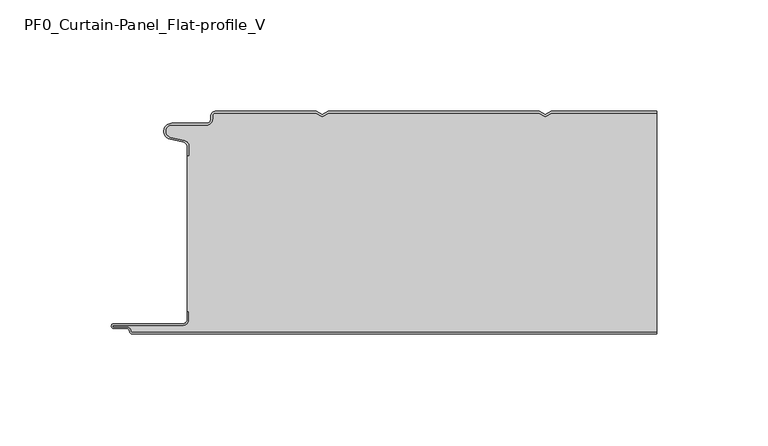
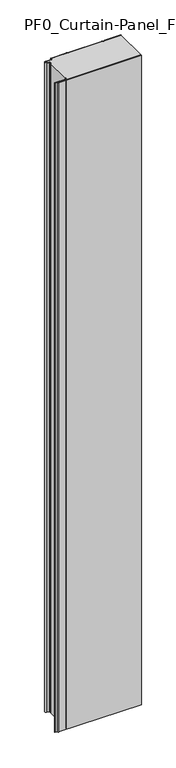
"""IFC4 building model written with IfcOpenShell, lengths in millimetres: plate geometry, PF0_Curtain-Panel_Flat-profile_V."""

from ifc_helpers import new_model, si_unit, point, frame_2d, origin, origin_with_axes, place, context, project, spatial, polyline, circle_curve, trimmed, segment, composite_curve, outline, extrude, source, transform, mapped, element, save


def pf0_curtain_panel_flat_profile_v_4a0679f0(model_context):
    return source(origin(), model_context, "Body", "SweptSolid", [
        extrude(outline(composite_curve([segment(trimmed(circle_curve(frame_2d((-102.0119739, -15.878557)), 2.0), [point((-100.0119739, -15.878557))], [point((-101.5620718, -13.9298169))], True, "CARTESIAN"), True, "CONTINUOUS"), segment(polyline([(-101.5620718, -13.9298169), (-107.7217978, -12.507732)]), True, "CONTINUOUS"), segment(trimmed(circle_curve(frame_2d((-106.9119739, -9.0)), 3.6), [point((-107.7217978, -12.507732))], [point((-106.9119739, -5.4))], False, "CARTESIAN"), True, "CONTINUOUS"), segment(polyline([(-106.9119739, -5.4), (-91.4119739, -5.4)]), True, "CONTINUOUS"), segment(trimmed(circle_curve(frame_2d((-91.4119739, -3.4)), 2.0), [point((-91.4119739, -5.4))], [point((-89.4119739, -3.4))], True, "CARTESIAN"), True, "CONTINUOUS"), segment(polyline([(-89.4119739, -3.4), (-89.4119739, -2.0)]), True, "CONTINUOUS"), segment(trimmed(circle_curve(frame_2d((-87.4119739, -2.0)), 2.0), [point((-89.4119739, -2.0))], [point((-87.4119739, 0.0))], False, "CARTESIAN"), True, "CONTINUOUS"), segment(polyline([(-87.4119739, 0.0), (-42.1119734, 0.0), (-39.4119739, -1.5588455), (-36.7119745, 0.0), (57.8880266, 0.0), (60.5880261, -1.5588455), (63.2880255, 0.0), (110.6119739, 0.0), (110.6119739, -0.8), (63.5023849, -0.8), (60.5880261, -2.482606), (57.6736672, -0.8), (-36.4976151, -0.8), (-39.4119739, -2.482606), (-42.3263328, -0.8), (-87.4119739, -0.8)]), True, "CONTINUOUS"), segment(trimmed(circle_curve(frame_2d((-87.4119739, -2.0)), 1.2), [point((-87.4119739, -0.8))], [point((-88.6119739, -2.0))], True, "CARTESIAN"), True, "CONTINUOUS"), segment(polyline([(-88.6119739, -2.0), (-88.6119739, -3.4)]), True, "CONTINUOUS"), segment(trimmed(circle_curve(frame_2d((-91.4119739, -3.4)), 2.8), [point((-88.6119739, -3.4))], [point((-91.4119739, -6.2))], False, "CARTESIAN"), True, "CONTINUOUS"), segment(polyline([(-91.4119739, -6.2), (-106.9119739, -6.2)]), True, "CONTINUOUS"), segment(trimmed(circle_curve(frame_2d((-106.9119739, -9.0)), 2.8), [point((-106.9119739, -6.2))], [point((-107.541837, -11.7282362))], True, "CARTESIAN"), True, "CONTINUOUS"), segment(polyline([(-107.541837, -11.7282362), (-101.3821109, -13.150321)]), True, "CONTINUOUS"), segment(trimmed(circle_curve(frame_2d((-102.0119739, -15.878557)), 2.8), [point((-101.3821109, -13.150321))], [point((-99.2119739, -15.878557))], False, "CARTESIAN"), True, "CONTINUOUS"), segment(polyline([(-99.2119739, -15.878557), (-99.2119739, -20.0), (-100.0119739, -20.0), (-100.0119739, -15.878557)]), True, "CONTINUOUS")], self_intersect=False)), origin_with_axes(), (0.0, 0.0, 1.0), 1945.7507136),
        extrude(outline(composite_curve([segment(polyline([(-99.2119739, -90.0), (-100.0119739, -90.0), (-100.0119739, -20.0), (-99.2119739, -20.0), (-99.2119739, -15.878557)]), True, "CONTINUOUS"), segment(trimmed(circle_curve(frame_2d((-102.0119739, -15.878557)), 2.8), [point((-99.2119739, -15.878557))], [point((-101.3821109, -13.1503208))], True, "CARTESIAN"), True, "CONTINUOUS"), segment(polyline([(-101.3821109, -13.1503208), (-107.5418369, -11.7282362)]), True, "CONTINUOUS"), segment(trimmed(circle_curve(frame_2d((-106.9119739, -9.0)), 2.8), [point((-107.5418369, -11.7282362))], [point((-106.9119739, -6.2))], False, "CARTESIAN"), True, "CONTINUOUS"), segment(polyline([(-106.9119739, -6.2), (-91.4119739, -6.2)]), True, "CONTINUOUS"), segment(trimmed(circle_curve(frame_2d((-91.4119739, -3.4)), 2.8), [point((-91.4119739, -6.2))], [point((-88.6119739, -3.4))], True, "CARTESIAN"), True, "CONTINUOUS"), segment(polyline([(-88.6119739, -3.4), (-88.6119739, -2.0)]), True, "CONTINUOUS"), segment(trimmed(circle_curve(frame_2d((-87.4119739, -2.0)), 1.2), [point((-88.6119739, -2.0))], [point((-87.4119739, -0.8))], False, "CARTESIAN"), True, "CONTINUOUS"), segment(polyline([(-87.4119739, -0.8), (-42.3263328, -0.8), (-39.4119739, -2.482606), (-36.4976151, -0.8), (57.6736672, -0.8), (60.5880261, -2.482606), (63.5023849, -0.8), (110.6119739, -0.8), (110.6119739, -99.2), (-124.4119739, -99.2)]), True, "CONTINUOUS"), segment(trimmed(circle_curve(frame_2d((-124.4119739, -98.4)), 0.8), [point((-124.4119739, -99.2))], [point((-125.2119739, -98.4))], False, "CARTESIAN"), True, "CONTINUOUS"), segment(trimmed(circle_curve(frame_2d((-126.9119739, -98.6133333)), 1.7133333), [point((-125.2119739, -98.4))], [point((-126.9119739, -96.9))], True, "CARTESIAN"), True, "CONTINUOUS"), segment(polyline([(-126.9119739, -96.9), (-132.8820051, -96.9)]), True, "CONTINUOUS"), segment(trimmed(circle_curve(frame_2d((-132.8820051, -96.6)), 0.3), [point((-132.8820051, -96.9))], [point((-132.8820051, -96.3))], False, "CARTESIAN"), True, "CONTINUOUS"), segment(polyline([(-132.8820051, -96.3), (-102.0119739, -96.3)]), True, "CONTINUOUS"), segment(trimmed(circle_curve(frame_2d((-102.0119739, -93.5)), 2.8), [point((-102.0119739, -96.3))], [point((-99.2119739, -93.5))], True, "CARTESIAN"), True, "CONTINUOUS"), segment(polyline([(-99.2119739, -93.5), (-99.2119739, -90.0)]), True, "CONTINUOUS")], self_intersect=False)), origin_with_axes(), (0.0, 0.0, 1.0), 1945.7507136),
        extrude(outline(composite_curve([segment(polyline([(-100.0119739, -90.0), (-99.2119739, -90.0), (-99.2119739, -93.5)]), True, "CONTINUOUS"), segment(trimmed(circle_curve(frame_2d((-102.0119739, -93.5)), 2.8), [point((-99.2119739, -93.5))], [point((-102.0119739, -96.3))], False, "CARTESIAN"), True, "CONTINUOUS"), segment(polyline([(-102.0119739, -96.3), (-132.8820051, -96.3)]), True, "CONTINUOUS"), segment(trimmed(circle_curve(frame_2d((-132.8820051, -96.6)), 0.3), [point((-132.8820051, -96.3))], [point((-132.8820051, -96.9))], True, "CARTESIAN"), True, "CONTINUOUS"), segment(polyline([(-132.8820051, -96.9), (-126.9119739, -96.9)]), True, "CONTINUOUS"), segment(trimmed(circle_curve(frame_2d((-126.9119739, -98.6133333)), 1.7133333), [point((-126.9119739, -96.9))], [point((-125.2119739, -98.4))], False, "CARTESIAN"), True, "CONTINUOUS"), segment(trimmed(circle_curve(frame_2d((-124.4119739, -98.4)), 0.8), [point((-125.2119739, -98.4))], [point((-124.4119739, -99.2))], True, "CARTESIAN"), True, "CONTINUOUS"), segment(polyline([(-124.4119739, -99.2), (110.6119739, -99.2), (110.6119739, -100.0), (-124.4119739, -100.0)]), True, "CONTINUOUS"), segment(trimmed(circle_curve(frame_2d((-124.4119739, -98.4)), 1.6), [point((-124.4119739, -100.0))], [point((-126.0119739, -98.4))], False, "CARTESIAN"), True, "CONTINUOUS"), segment(trimmed(circle_curve(frame_2d((-126.9119739, -98.4)), 0.9), [point((-126.0119739, -98.4))], [point((-126.9119739, -97.5))], True, "CARTESIAN"), True, "CONTINUOUS"), segment(polyline([(-126.9119739, -97.5), (-133.0119739, -97.5)]), True, "CONTINUOUS"), segment(trimmed(circle_curve(frame_2d((-133.0119739, -96.5)), 1.0), [point((-133.0119739, -97.5))], [point((-133.0119739, -95.5))], False, "CARTESIAN"), True, "CONTINUOUS"), segment(polyline([(-133.0119739, -95.5), (-102.0119739, -95.5)]), True, "CONTINUOUS"), segment(trimmed(circle_curve(frame_2d((-102.0119739, -93.5)), 2.0), [point((-102.0119739, -95.5))], [point((-100.0119739, -93.5))], True, "CARTESIAN"), True, "CONTINUOUS"), segment(polyline([(-100.0119739, -93.5), (-100.0119739, -90.0)]), True, "CONTINUOUS")], self_intersect=False)), origin_with_axes(), (0.0, 0.0, 1.0), 1945.7507136),
    ])


if __name__ == "__main__":
    model = new_model("IFC4")
    model_context = context("Model", 3, world=origin())
    ifc_project = project(units=[si_unit("LENGTHUNIT", "METRE", prefix="MILLI")], contexts=[model_context])
    site = spatial("IfcSite", under=ifc_project)
    building = spatial("IfcBuilding", under=site)
    placement = place(None, origin())
    pf0_curtain_panel_flat_profile_v_shape = pf0_curtain_panel_flat_profile_v_4a0679f0(model_context)
    element("IfcPlate", 1, ObjectType="PF0_Curtain-Panel_Flat-profile_V", at=placement, inside=building, context=model_context, shape_type="MappedRepresentation", body=[
        mapped(pf0_curtain_panel_flat_profile_v_shape, transform((0.0, 0.0, 0.0), x_axis=(1.0, 0.0, 0.0), y_axis=(0.0, 1.0, 0.0), z_axis=(0.0, 0.0, 1.0))),
    ])
    save(model, "model.ifc")
